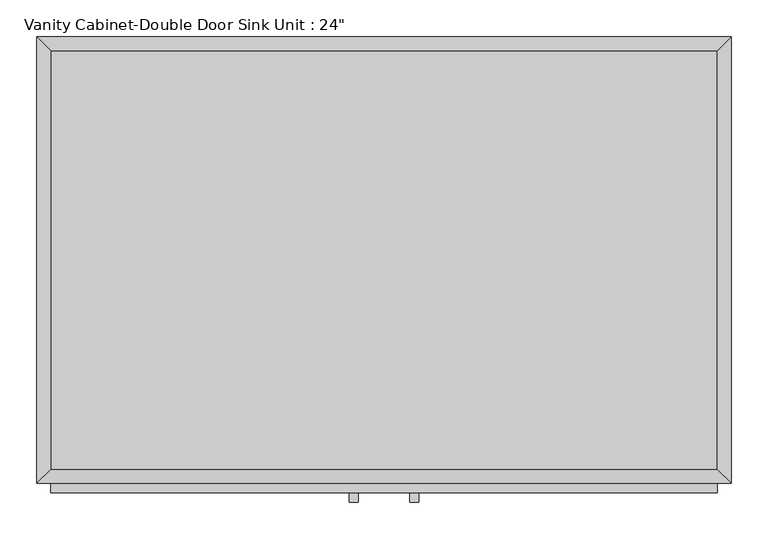
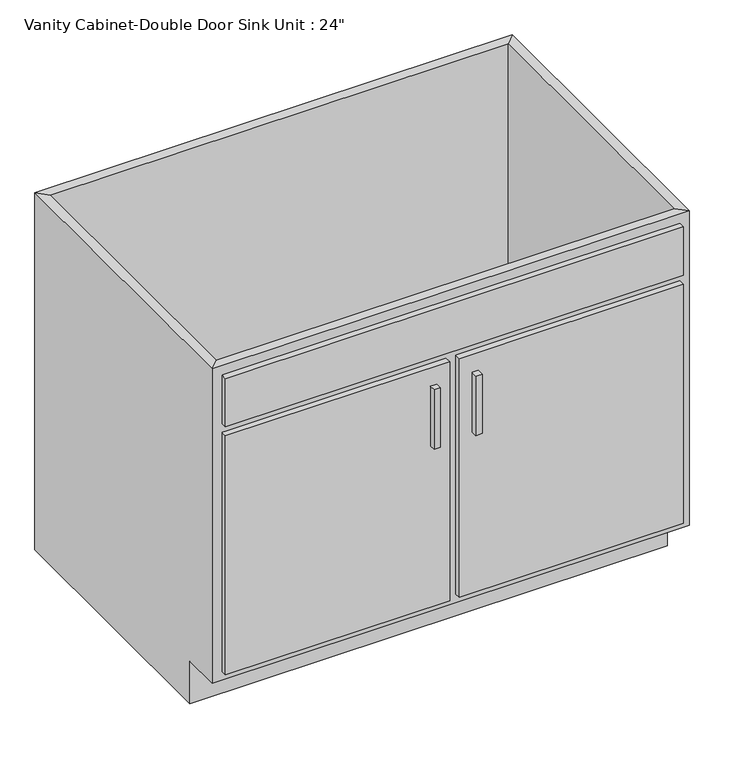
"""IFC4 building model written with IfcOpenShell, lengths in millimetres: furniture geometry."""

from ifc_helpers import new_model, si_unit, frame, origin, place, context, project, spatial, polyline, outline, extrude, faceted_brep, source, transform, mapped, element, save


def furniture_10b9370a(model_context):
    return source(origin(), model_context, "Body", "SolidModel", [
        faceted_brep([(473.5755733, -590.55, 749.3), (473.5755733, -590.55, 88.9), (-436.1001634, -590.55, 88.9), (-436.1001634, -590.55, 749.3), (-455.1501634, -609.6, 749.3), (492.6255733, -609.6, 749.3), (-455.1501634, -609.6, 88.9), (492.6255733, -609.6, 88.9), (-436.1001634, -533.4, 88.9), (-436.1001634, -19.05, 88.9), (-436.1001634, -19.05, 749.3), (-455.1501634, 0.0, 749.3), (-455.1501634, 0.0, 0.0), (-455.1501634, -533.4, 0.0), (-455.1501634, -533.4, 88.9), (473.5755733, -19.05, 88.9), (473.5755733, -19.05, 749.3), (492.6255733, 0.0, 749.3), (492.6255733, 0.0, 0.0), (473.5755733, -533.4, 88.9), (492.6255733, -533.4, 88.9), (492.6255733, -533.4, 0.0)], [[[0, 1, 2, 3]], [[0, 3, 4, 5]], [[5, 4, 6, 7]], [[2, 1, 7, 6]], [[3, 2, 8, 9, 10]], [[4, 3, 10, 11]], [[6, 4, 11, 12, 13, 14]], [[2, 6, 14, 8]], [[10, 9, 15, 16]], [[11, 10, 16, 17]], [[12, 11, 17, 18]], [[1, 0, 16, 15, 19]], [[0, 5, 17, 16]], [[5, 7, 20, 21, 18, 17]], [[7, 1, 19, 20]], [[8, 19, 15, 9]], [[18, 21, 13, 12]], [[13, 21, 20, 19, 8, 14]]]),
        extrude(outline(polyline([(-16.1872951, -635.0), (-28.8872951, -635.0), (-28.8872951, -622.3), (-16.1872951, -622.3), (-16.1872951, -635.0)])), frame((0.0, 0.0, 446.769895), z_axis=(0.0, 0.0, 1.0), x_axis=(1.0, 0.0, 0.0)), (0.0, 0.0, 1.0), 124.730105),
        extrude(outline(polyline([(66.3627049, -635.0), (53.6627049, -635.0), (53.6627049, -622.3), (66.3627049, -622.3), (66.3627049, -635.0)])), frame((0.0, 0.0, 446.769895), z_axis=(0.0, 0.0, 1.0), x_axis=(1.0, 0.0, 0.0)), (0.0, 0.0, 1.0), 124.730105),
        extrude(outline(polyline([(473.5755733, -19.05), (473.5755733, -590.55), (-436.1001634, -590.55), (-436.1001634, -19.05), (473.5755733, -19.05)])), frame((0.0, 0.0, 88.9), z_axis=(0.0, 0.0, 1.0), x_axis=(1.0, 0.0, 0.0)), (0.0, 0.0, 1.0), 19.05),
        extrude(outline(polyline([(9.2127049, -622.3), (-436.1001634, -622.3), (-436.1001634, -609.6), (9.2127049, -609.6), (9.2127049, -622.3)])), frame((0.0, 0.0, 107.95), z_axis=(0.0, 0.0, 1.0), x_axis=(1.0, 0.0, 0.0)), (0.0, 0.0, 1.0), 501.65),
        extrude(outline(polyline([(473.5755733, -622.3), (28.2627049, -622.3), (28.2627049, -609.6), (473.5755733, -609.6), (473.5755733, -622.3)])), frame((0.0, 0.0, 107.95), z_axis=(0.0, 0.0, 1.0), x_axis=(1.0, 0.0, 0.0)), (0.0, 0.0, 1.0), 501.65),
        extrude(outline(polyline([(473.5755733, -622.3), (-436.1001634, -622.3), (-436.1001634, -609.6), (473.5755733, -609.6), (473.5755733, -622.3)])), frame((0.0, 0.0, 628.65), z_axis=(0.0, 0.0, 1.0), x_axis=(1.0, 0.0, 0.0)), (0.0, 0.0, 1.0), 101.6),
    ])


if __name__ == "__main__":
    model = new_model("IFC4")
    model_context = context("Model", 3, world=origin())
    ifc_project = project(units=[si_unit("LENGTHUNIT", "METRE", prefix="MILLI")], contexts=[model_context])
    site = spatial("IfcSite", under=ifc_project)
    building = spatial("IfcBuilding", under=site)
    placement = place(None, origin())
    furniture_shape = furniture_10b9370a(model_context)
    element("IfcFurniture", 1, ObjectType="Vanity Cabinet-Double Door Sink Unit : 24\"", at=placement, inside=building, context=model_context, shape_type="MappedRepresentation", body=[
        mapped(furniture_shape, transform((0.0, 0.0, 0.0), x_axis=(1.0, 0.0, 0.0), y_axis=(0.0, 1.0, 0.0), z_axis=(0.0, 0.0, 1.0))),
    ])
    save(model, "model.ifc")
